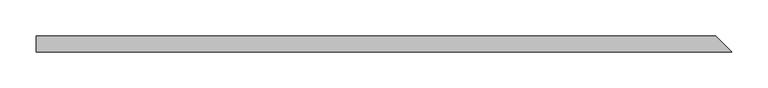
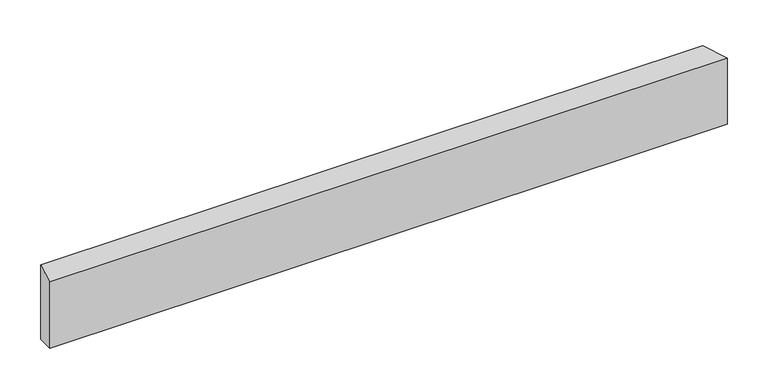
"""IFC4 building model written with IfcOpenShell, lengths in millimetres: beam geometry."""

from ifc_helpers import new_model, si_unit, origin, place, context, project, spatial, faceted_brep, source, transform, mapped, element, save


def beam_52a473d2(model_context):
    return source(origin(), model_context, "Body", "Brep", [
        faceted_brep([(485.6254921, -11.0, 55.8), (-474.6254921, -11.0, 55.8), (-474.6254921, -11.0, -43.0982941), (485.6254921, -11.0, -43.0982941), (463.6254921, 11.0, 68.5017059), (463.6254921, 11.0, -43.0982941), (-474.6254921, 11.0, -43.0982941), (-474.6254921, 11.0, 68.5017059)], [[[0, 1, 2, 3]], [[4, 5, 6, 7]], [[5, 4, 0, 3]], [[6, 5, 3, 2]], [[7, 6, 2, 1]], [[4, 7, 1, 0]]]),
    ])


if __name__ == "__main__":
    model = new_model("IFC4")
    model_context = context("Model", 3, world=origin())
    ifc_project = project(units=[si_unit("LENGTHUNIT", "METRE", prefix="MILLI")], contexts=[model_context])
    site = spatial("IfcSite", under=ifc_project)
    building = spatial("IfcBuilding", under=site)
    placement = place(None, origin())
    beam_shape = beam_52a473d2(model_context)
    element("IfcBeam", 1, at=placement, inside=building, context=model_context, shape_type="MappedRepresentation", body=[
        mapped(beam_shape, transform((0.0, 0.0, 0.0), x_axis=(1.0, 0.0, 0.0), y_axis=(0.0, 1.0, 0.0), z_axis=(0.0, 0.0, 1.0))),
    ])
    save(model, "model.ifc")
